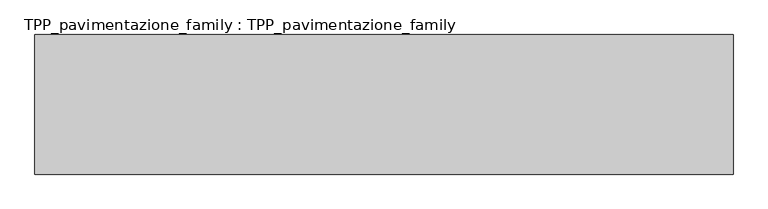
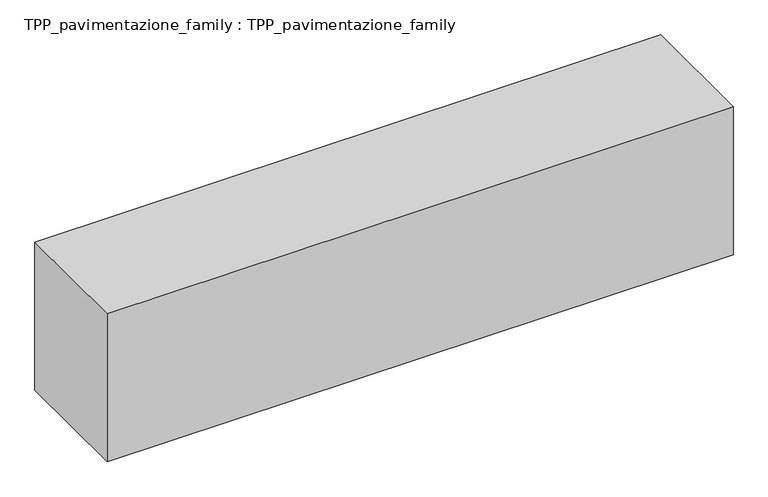
"""IFC4 building model written with IfcOpenShell, lengths in millimetres: proxy geometry, TPP_pavimentazione_family : TPP_pavimentazione_family."""

from ifc_helpers import new_model, si_unit, origin, origin_with_axes, place, context, project, spatial, polyline, outline, extrude, source, transform, mapped, element, save


def tpp_pavimentazione_family_tpp_pavimentazione_family_ea40fe66(model_context):
    return source(origin(), model_context, "Body", "SweptSolid", [
        extrude(outline(polyline([(511.8146187, 354.2201026), (511.8146187, 114.2201026), (-688.1853813, 114.2201026), (-688.1853813, 354.2201026), (511.8146187, 354.2201026)])), origin_with_axes(), (0.0, 0.0, 1.0), 300.0),
    ])


if __name__ == "__main__":
    model = new_model("IFC4")
    model_context = context("Model", 3, world=origin())
    ifc_project = project(units=[si_unit("LENGTHUNIT", "METRE", prefix="MILLI")], contexts=[model_context])
    site = spatial("IfcSite", under=ifc_project)
    building = spatial("IfcBuilding", under=site)
    placement = place(None, origin())
    tpp_pavimentazione_family_tpp_pavimentazione_family_shape = tpp_pavimentazione_family_tpp_pavimentazione_family_ea40fe66(model_context)
    element("IfcBuildingElementProxy", 1, Name="TPP_pavimentazione_family : TPP_pavimentazione_family", ObjectType="TPP_pavimentazione_family : TPP_pavimentazione_family", at=placement, inside=building, context=model_context, shape_type="MappedRepresentation", body=[
        mapped(tpp_pavimentazione_family_tpp_pavimentazione_family_shape, transform((0.0, 0.0, 0.0), x_axis=(1.0, 0.0, 0.0), y_axis=(0.0, 1.0, 0.0), z_axis=(0.0, 0.0, 1.0))),
    ])
    save(model, "model.ifc")
